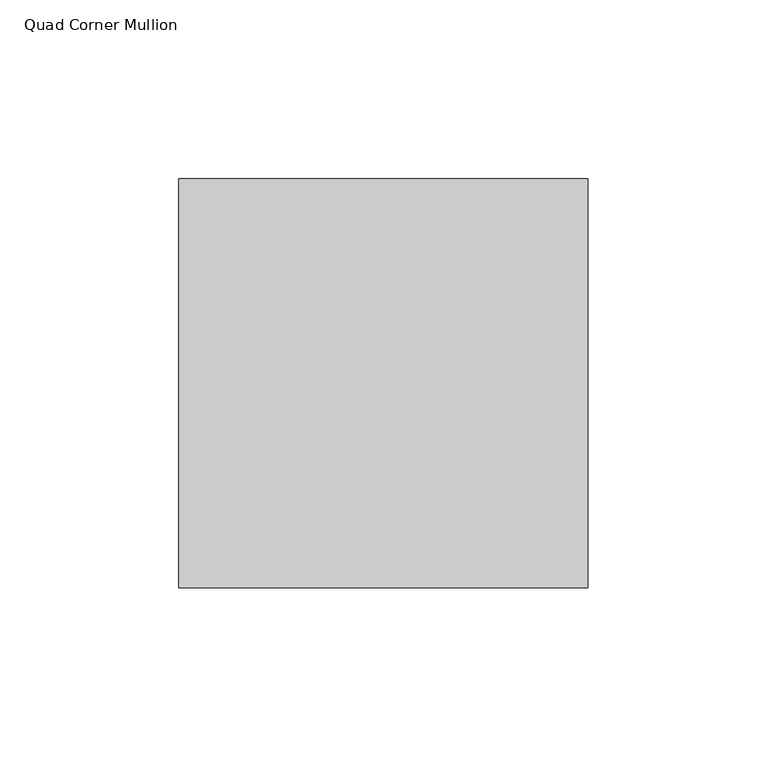
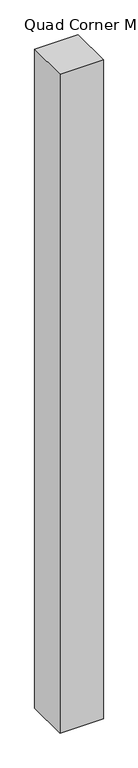
"""IFC4 building model written with IfcOpenShell, lengths in millimetres: member geometry, Quad Corner Mullion."""

from ifc_helpers import new_model, si_unit, frame, origin, place, context, project, spatial, polyline, outline, extrude, source, transform, mapped, element, save


def quad_corner_mullion_f4bc3672(model_context):
    return source(origin(), model_context, "Body", "SweptSolid", [
        extrude(outline(polyline([(57.15, -57.15), (-57.15, -57.15), (-57.15, 57.15), (57.15, 57.15), (57.15, -57.15)])), frame((0.0, 0.0, -1828.8), z_axis=(0.0, 0.0, 1.0), x_axis=(1.0, 0.0, 0.0)), (0.0, 0.0, 1.0), 1828.8),
    ])


if __name__ == "__main__":
    model = new_model("IFC4")
    model_context = context("Model", 3, world=origin())
    ifc_project = project(units=[si_unit("LENGTHUNIT", "METRE", prefix="MILLI")], contexts=[model_context])
    site = spatial("IfcSite", under=ifc_project)
    building = spatial("IfcBuilding", under=site)
    placement = place(None, origin())
    quad_corner_mullion_shape = quad_corner_mullion_f4bc3672(model_context)
    element("IfcMember", 1, ObjectType="Quad Corner Mullion", at=placement, inside=building, context=model_context, shape_type="MappedRepresentation", body=[
        mapped(quad_corner_mullion_shape, transform((0.0, 0.0, 0.0), x_axis=(1.0, 0.0, 0.0), y_axis=(0.0, 1.0, 0.0), z_axis=(0.0, 0.0, 1.0))),
    ])
    save(model, "model.ifc")
